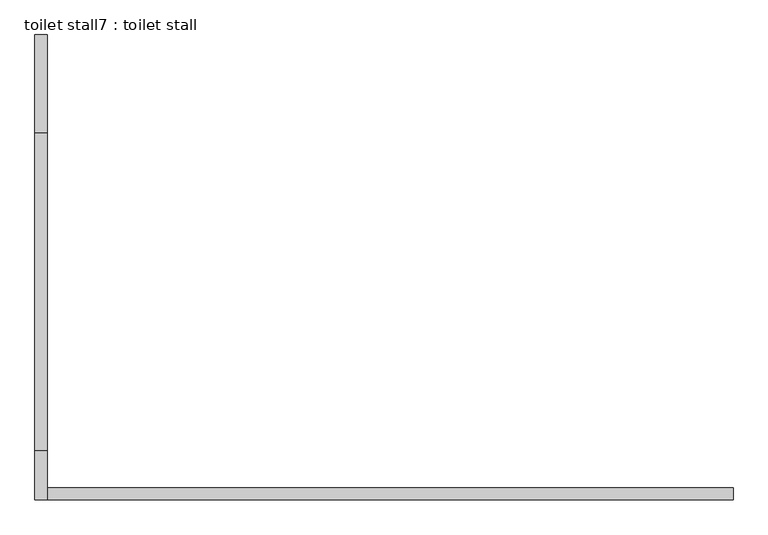
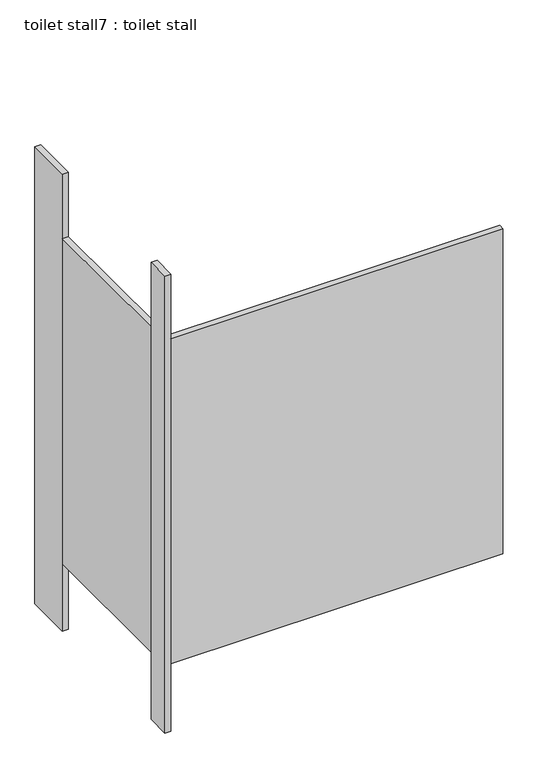
"""IFC4 building model written with IfcOpenShell, lengths in millimetres: proxy geometry, toilet stall7 : toilet stall."""

from ifc_helpers import new_model, si_unit, frame, origin, origin_with_axes, place, context, project, spatial, polyline, outline, extrude, source, transform, mapped, element, save


def toilet_stall7_toilet_stall_f4ba7a86(model_context):
    return source(origin(), model_context, "Body", "SweptSolid", [
        extrude(outline(polyline([(454658.2004676, -269388.4113632), (454632.8004676, -269388.4113632), (454632.8004676, -269185.2113632), (454658.2004676, -269185.2113632), (454658.2004676, -269388.4113632)])), origin_with_axes(), (0.0, 0.0, 1.0), 2070.1),
        extrude(outline(polyline([(454658.2004676, -270150.4113632), (454632.8004676, -270150.4113632), (454632.8004676, -270048.8113632), (454658.2004676, -270048.8113632), (454658.2004676, -270150.4113632)])), origin_with_axes(), (0.0, 0.0, 1.0), 2070.1),
        extrude(outline(polyline([(454658.2004676, -270150.4113632), (454658.2004676, -270125.0113632), (456080.6004676, -270125.0113632), (456080.6004676, -270150.4113632), (454658.2004676, -270150.4113632)])), frame((0.0, 0.0, 304.8), z_axis=(0.0, 0.0, 1.0), x_axis=(1.0, 0.0, 0.0)), (0.0, 0.0, 1.0), 1473.2),
        extrude(outline(polyline([(454658.2004676, -270048.8113632), (454632.8004676, -270048.8113632), (454632.8004676, -269388.4113632), (454658.2004676, -269388.4113632), (454658.2004676, -270048.8113632)])), frame((0.0, 0.0, 304.8), z_axis=(0.0, 0.0, 1.0), x_axis=(1.0, 0.0, 0.0)), (0.0, 0.0, 1.0), 1473.2),
    ])


if __name__ == "__main__":
    model = new_model("IFC4")
    model_context = context("Model", 3, world=origin())
    ifc_project = project(units=[si_unit("LENGTHUNIT", "METRE", prefix="MILLI")], contexts=[model_context])
    site = spatial("IfcSite", under=ifc_project)
    building = spatial("IfcBuilding", under=site)
    placement = place(None, origin())
    toilet_stall7_toilet_stall_shape = toilet_stall7_toilet_stall_f4ba7a86(model_context)
    element("IfcBuildingElementProxy", 1, Name="toilet stall7 : toilet stall", ObjectType="toilet stall7 : toilet stall", at=placement, inside=building, context=model_context, shape_type="MappedRepresentation", body=[
        mapped(toilet_stall7_toilet_stall_shape, transform((0.0, 0.0, 0.0), x_axis=(1.0, 0.0, 0.0), y_axis=(0.0, 1.0, 0.0), z_axis=(0.0, 0.0, 1.0))),
    ])
    save(model, "model.ifc")
